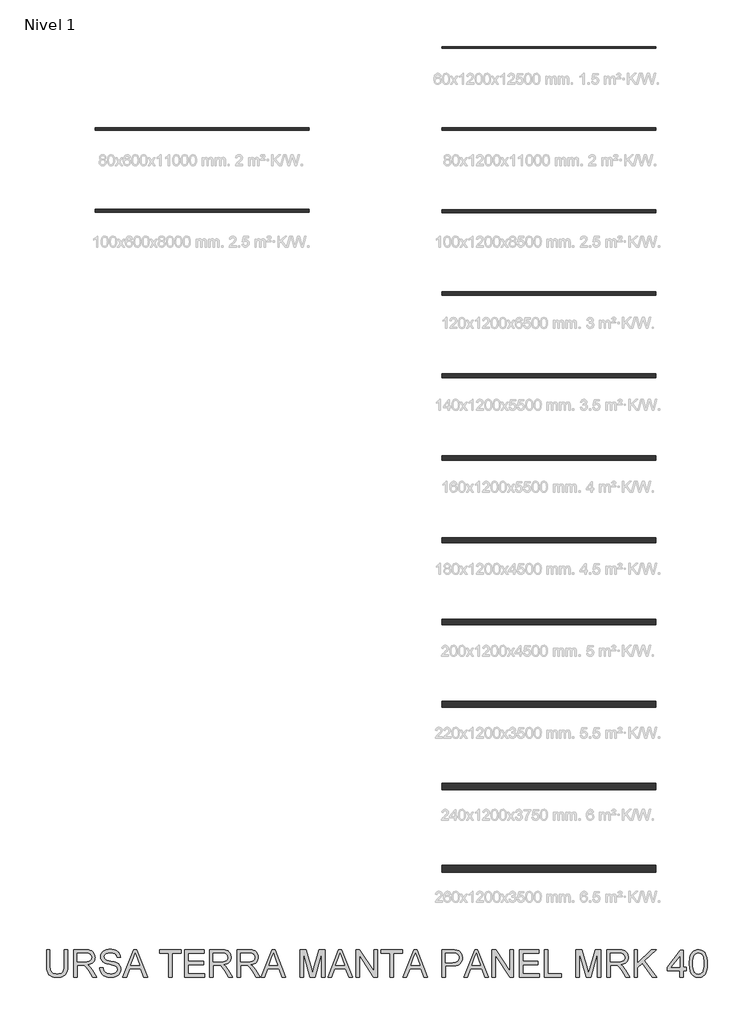
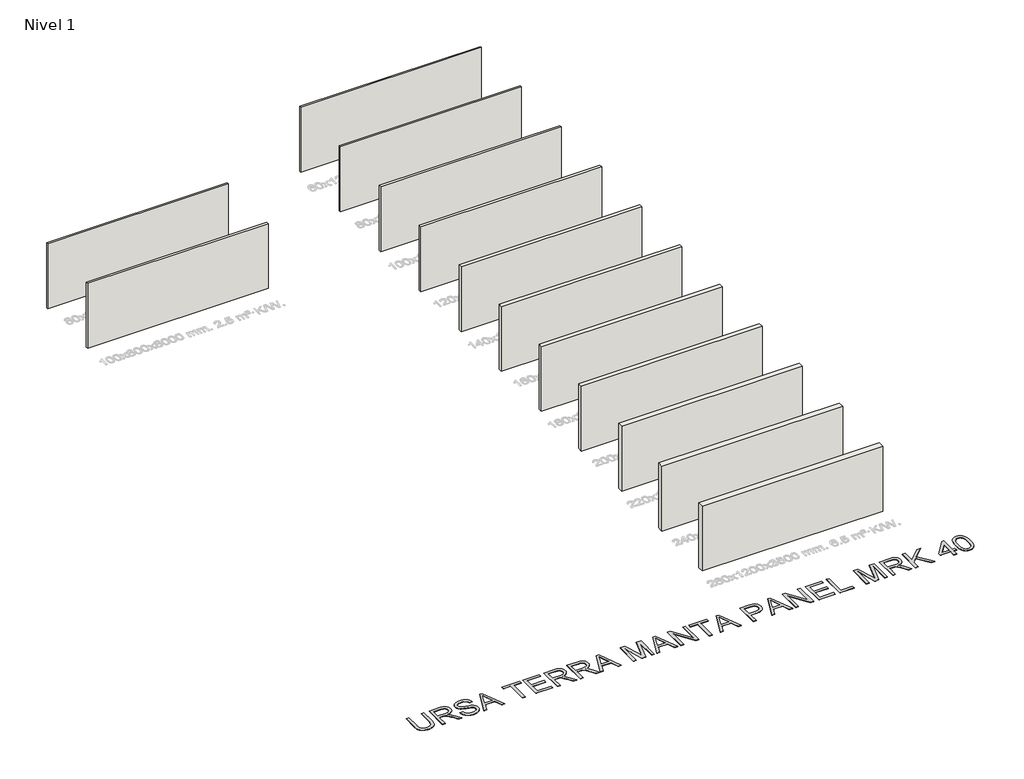
# One storey, part 1 of 14: 13 walls, 1 proxy.
"""IFC4 building model written with IfcOpenShell, lengths in millimetres."""

from ifc_helpers import new_model, si_unit, origin, origin_with_axes, place, context, project, spatial, polyline, outline, extrude, element, save

model = new_model("IFC4")

# Units and contexts
model_context = context("Model", 3, world=origin())
ifc_project = project(units=[si_unit("LENGTHUNIT", "METRE", prefix="MILLI")], contexts=[model_context])

# Site, building, storey
site = spatial("IfcSite", under=ifc_project)
building = spatial("IfcBuilding", under=site)
storey = spatial("IfcBuildingStorey", under=building, Name="Nivel 1", Elevation=0.0)

# Proxy
placement = place(None, origin())
element("IfcBuildingElementProxy", 1, Name="Texto de modelo 2", ObjectType="Texto de modelo 2", at=placement, inside=storey, context=model_context, shape_type="SweptSolid", body=[
    extrude(outline(polyline([(-14160.1501781, -29319.1686362), (-14034.5797905, -29319.1686362), (-14034.5797905, -29898.7054059), (-14036.7104403, -29970.4653876), (-14043.10239, -30034.4232053), (-14053.7556395, -30090.578859), (-14068.6701887, -30138.9323487), (-14089.1336247, -30181.3154203), (-14116.4335344, -30219.5598193), (-14150.5699179, -30253.665546), (-14191.5427751, -30283.6326002), (-14239.3980913, -30308.0431034), (-14294.1818517, -30325.4791771), (-14355.8940564, -30335.9408214), (-14424.5347053, -30339.4280361), (-14491.4815643, -30336.3930097), (-14552.0364735, -30327.2879303), (-14606.1994331, -30312.112798), (-14653.970443, -30290.8676127), (-14695.3571675, -30263.8666071), (-14730.3672707, -30231.4240137), (-14759.0007526, -30193.5398324), (-14781.2576133, -30150.2140633), (-14797.9425947, -30099.9598499), (-14809.8604385, -30041.2903359), (-14817.0111447, -29974.2055212), (-14819.3947135, -29898.7054059), (-14819.3947135, -29319.1686362), (-14693.8243258, -29319.1686362), (-14693.8243258, -29894.2908219), (-14692.2761558, -29954.9990154), (-14687.6316456, -30007.138624), (-14679.8907952, -30050.7096478), (-14669.0536048, -30085.7120868), (-14654.4456239, -30114.6751297), (-14635.3924022, -30140.1279652), (-14611.8939398, -30162.0705934), (-14583.9502366, -30180.5030142), (-14552.0977872, -30195.0956667), (-14516.8730861, -30205.5189899), (-14478.2761335, -30211.7729838), (-14436.3069292, -30213.8576484), (-14367.0991288, -30209.7343044), (-14308.5905632, -30197.3642723), (-14260.7812322, -30176.7475522), (-14240.8887798, -30163.3466841), (-14223.671136, -30147.884144), (-14208.7834115, -30129.4900442), (-14195.8807169, -30107.2944972), (-14176.0304176, -30051.4990612), (-14164.120238, -29980.4978362), (-14160.1501781, -29894.2908219), (-14160.1501781, -29319.1686362)])), origin_with_axes(), (0.0, 0.0, 1.0), 10.0),
    extrude(outline(polyline([(-13814.831612, -30323.7317377), (-13814.831612, -29319.1686362), (-13381.957131, -29319.1686362), (-13319.8233949, -29320.8624262), (-13265.61445, -29325.9437962), (-13219.3302965, -29334.4127463), (-13180.9709343, -29346.2692765), (-13148.3060788, -29362.4254274), (-13119.1054455, -29383.79324), (-13093.3690342, -29410.3727141), (-13071.0968451, -29442.1638499), (-13053.1242768, -29477.4575288), (-13040.286728, -29514.5446324), (-13032.5841987, -29553.4251608), (-13030.016689, -29594.0991139), (-13034.2703245, -29645.6945637), (-13047.0312312, -29693.0593706), (-13068.2994091, -29736.1935345), (-13098.0748581, -29775.0970555), (-13136.7407886, -29808.5283318), (-13184.6804111, -29835.2457617), (-13241.8937256, -29855.2493452), (-13308.380732, -29868.5390823), (-13266.9940075, -29895.5784089), (-13237.0116249, -29922.2498536), (-13185.5694593, -29983.2569511), (-13135.2309396, -30051.4990612), (-12967.7220044, -30323.7317377), (-13113.6485292, -30323.7317377), (-13244.3692648, -30115.5105284), (-13296.6698218, -30036.0480174), (-13338.7923102, -29977.6774075), (-13373.894384, -29937.4862995), (-13405.1336967, -29912.5622944), (-13434.7175405, -29897.9389851), (-13464.8532073, -29888.6499647), (-13537.6938423, -29884.2353807), (-13689.2612243, -29884.2353807), (-13689.2612243, -30323.7317377), (-13814.831612, -30323.7317377)]), holes=[polyline([(-13689.2612243, -29758.6649931), (-13408.19938, -29758.6649931), (-13327.4799389, -29754.2197523), (-13264.8480292, -29740.88403), (-13239.663441, -29730.6599762), (-13217.6978202, -29717.7687779), (-13198.9511668, -29702.2104352), (-13183.423481, -29683.984948), (-13171.2450541, -29663.9890288), (-13162.5461777, -29643.1193897), (-13157.3268519, -29621.376031), (-13155.5870766, -29598.7589525), (-13158.9056788, -29566.64592), (-13168.8614853, -29537.5066003), (-13185.4544961, -29511.3409934), (-13208.6847113, -29488.1490993), (-13239.0886253, -29469.1571913), (-13277.2027329, -29455.5915427), (-13323.0270339, -29447.4521536), (-13376.5615284, -29444.7390238), (-13689.2612243, -29444.7390238), (-13689.2612243, -29758.6649931)])]), origin_with_axes(), (0.0, 0.0, 1.0), 10.0),
    extrude(outline(polyline([(-12857.3574059, -29978.4131715), (-12731.7870182, -29978.4131715), (-12726.038862, -30014.9637806), (-12717.3783067, -30048.0961528), (-12705.8053523, -30077.8102881), (-12691.3199987, -30104.1061865), (-12673.1864821, -30127.5126785), (-12650.6690383, -30148.5585943), (-12623.7676674, -30167.243934), (-12592.4823694, -30183.5686975), (-12557.9627755, -30196.8201135), (-12521.358517, -30206.2854107), (-12482.6695938, -30211.964589), (-12441.896006, -30213.8576484), (-12371.9371133, -30208.1248207), (-12340.2226196, -30200.958786), (-12310.6847611, -30190.9263374), (-12284.0516374, -30178.3876927), (-12261.0513485, -30163.7030697), (-12241.6838943, -30146.8724685), (-12225.9492748, -30127.8958889), (-12213.770848, -30107.5934013), (-12205.0719716, -30086.7850759), (-12199.8526458, -30065.4709128), (-12198.1128705, -30043.650912), (-12203.3245321, -30001.620394), (-12218.9595169, -29965.292047), (-12232.1112983, -29949.1742171), (-12250.7199958, -29934.2979889), (-12274.7856097, -29920.6633625), (-12304.3081398, -29908.2703378), (-12370.6188694, -29888.5579942), (-12487.1454914, -29860.3230511), (-12607.1669923, -29828.593229), (-12650.9679424, -29813.3031336), (-12683.9623588, -29798.3962485), (-12717.4932699, -29778.392665), (-12746.4716412, -29756.1511328), (-12770.8974728, -29731.6716517), (-12790.7707648, -29704.9542218), (-12806.1681591, -29676.2747546), (-12817.1662979, -29645.9091615), (-12823.7651812, -29613.8574427), (-12825.964809, -29580.1195981), (-12823.244015, -29542.7259261), (-12815.0816333, -29506.5738559), (-12801.4776637, -29471.6633874), (-12782.4321062, -29437.9945206), (-12758.1595587, -29406.9391488), (-12728.8746191, -29379.8691654), (-12694.5772872, -29356.7845702), (-12655.2675632, -29337.6853632), (-12612.271355, -29322.7171646), (-12566.9145707, -29312.0255941), (-12519.1972102, -29305.6106518), (-12469.1192736, -29303.4723377), (-12414.4887974, -29305.7102865), (-12363.169259, -29312.4241329), (-12315.1606587, -29323.6138769), (-12270.4629963, -29339.2795186), (-12229.9040063, -29359.283102), (-12194.3114233, -29383.4866716), (-12163.6852472, -29411.8902274), (-12138.025478, -29444.4937692), (-12117.5313852, -29480.3469353), (-12102.4022381, -29518.4993639), (-12092.6380368, -29558.9510549), (-12088.2387813, -29601.7020084), (-12213.809169, -29601.7020084), (-12222.2091412, -29561.6335278), (-12236.8631074, -29526.7767088), (-12257.7710674, -29497.1315513), (-12284.9330214, -29472.6980555), (-12318.854807, -29453.5988486), (-12360.0422621, -29439.9565579), (-12408.4953865, -29431.7711835), (-12464.2141804, -29429.0427254), (-12521.7110705, -29431.7405267), (-12570.8386453, -29439.8339306), (-12611.5969047, -29453.3229371), (-12643.9858487, -29472.2075461), (-12668.6645992, -29494.9089309), (-12686.2922781, -29519.8482645), (-12696.8688855, -29547.0255469), (-12700.3944213, -29576.4407781), (-12697.8958894, -29601.7479937), (-12690.4002937, -29624.6946331), (-12677.9076343, -29645.2806965), (-12660.4179111, -29663.5061836), (-12632.8880752, -29680.7659806), (-12589.5393134, -29698.2097185), (-12530.3716258, -29715.8373975), (-12455.3850125, -29733.6490174), (-12316.938755, -29767.3102199), (-12268.2250474, -29782.5313375), (-12233.1842874, -29796.6794659), (-12194.6869695, -29818.1239205), (-12161.6005825, -29842.2355196), (-12133.9251266, -29869.0142632), (-12111.6606017, -29898.4601512), (-12094.5464247, -29930.4198996), (-12082.3220126, -29964.740224), (-12074.9873653, -30001.4211246), (-12072.5424828, -30040.4626014), (-12075.3552473, -30079.7416686), (-12083.7935405, -30117.8711045), (-12097.8573626, -30154.8509092), (-12117.5467136, -30190.6810827), (-12142.516704, -30223.9744033), (-12172.4224445, -30253.3436492), (-12207.2639352, -30278.7888206), (-12247.0411759, -30300.3099173), (-12290.5968713, -30317.4240943), (-12336.7737259, -30329.6485064), (-12385.5717397, -30336.9831537), (-12436.9909127, -30339.4280361), (-12501.2246419, -30336.7915485), (-12560.0167833, -30328.8820856), (-12613.3673368, -30315.6996474), (-12661.2763025, -30297.244234), (-12704.0349202, -30273.4851885), (-12741.9344299, -30244.391854), (-12774.9748316, -30209.9642306), (-12803.1561253, -30170.2023183), (-12825.8575101, -30126.3937041), (-12842.4581851, -30079.8259748), (-12852.9581504, -30030.4991307), (-12857.3574059, -29978.4131715)])), origin_with_axes(), (0.0, 0.0, 1.0), 10.0),
    extrude(outline(polyline([(-12001.1733758, -30323.7317377), (-11600.182001, -29319.1686362), (-11493.2509678, -29319.1686362), (-11092.259593, -30323.7317377), (-11224.942366, -30323.7317377), (-11339.9668031, -30009.8057684), (-11753.7114204, -30009.8057684), (-11868.4906029, -30323.7317377), (-12001.1733758, -30323.7317377)]), holes=[polyline([(-11707.6035436, -29884.2353807), (-11385.8294252, -29884.2353807), (-11476.328396, -29637.2639347), (-11546.7164844, -29444.7390238), (-11609.2564236, -29615.6815243), (-11707.6035436, -29884.2353807)])]), origin_with_axes(), (0.0, 0.0, 1.0), 10.0),
    extrude(outline(polyline([(-10314.5570552, -30323.7317377), (-10314.5570552, -29444.7390238), (-10644.1793229, -29444.7390238), (-10644.1793229, -29319.1686362), (-9859.3643999, -29319.1686362), (-9859.3643999, -29444.7390238), (-10188.9866675, -29444.7390238), (-10188.9866675, -30323.7317377), (-10314.5570552, -30323.7317377)])), origin_with_axes(), (0.0, 0.0, 1.0), 10.0),
    extrude(outline(polyline([(-9718.0977137, -30323.7317377), (-9718.0977137, -29319.1686362), (-8996.0679845, -29319.1686362), (-8996.0679845, -29444.7390238), (-9592.527326, -29444.7390238), (-9592.527326, -29742.9686946), (-9027.4605814, -29742.9686946), (-9027.4605814, -29868.5390823), (-9592.527326, -29868.5390823), (-9592.527326, -30198.16135), (-8980.3716861, -30198.16135), (-8980.3716861, -30323.7317377), (-9718.0977137, -30323.7317377)])), origin_with_axes(), (0.0, 0.0, 1.0), 10.0),
    extrude(outline(polyline([(-8792.0161045, -30323.7317377), (-8792.0161045, -29319.1686362), (-8359.1416235, -29319.1686362), (-8297.0078874, -29320.8624262), (-8242.7989426, -29325.9437962), (-8196.514789, -29334.4127463), (-8158.1554268, -29346.2692765), (-8125.4905713, -29362.4254274), (-8096.289938, -29383.79324), (-8070.5535267, -29410.3727141), (-8048.2813376, -29442.1638499), (-8030.3087693, -29477.4575288), (-8017.4712205, -29514.5446324), (-8009.7686912, -29553.4251608), (-8007.2011815, -29594.0991139), (-8011.4548171, -29645.6945637), (-8024.2157238, -29693.0593706), (-8045.4839016, -29736.1935345), (-8075.2593506, -29775.0970555), (-8113.9252811, -29808.5283318), (-8161.8649036, -29835.2457617), (-8219.0782181, -29855.2493452), (-8285.5652245, -29868.5390823), (-8244.1785, -29895.5784089), (-8214.1961174, -29922.2498536), (-8162.7539518, -29983.2569511), (-8112.4154321, -30051.4990612), (-7944.906497, -30323.7317377), (-8090.8330217, -30323.7317377), (-8221.5537573, -30115.5105284), (-8273.8543143, -30036.0480174), (-8315.9768028, -29977.6774075), (-8351.0788765, -29937.4862995), (-8382.3181892, -29912.5622944), (-8411.902033, -29897.9389851), (-8442.0376998, -29888.6499647), (-8514.8783348, -29884.2353807), (-8666.4457168, -29884.2353807), (-8666.4457168, -30323.7317377), (-8792.0161045, -30323.7317377)]), holes=[polyline([(-8666.4457168, -29758.6649931), (-8385.3838725, -29758.6649931), (-8304.6644314, -29754.2197523), (-8242.0325217, -29740.88403), (-8216.8479335, -29730.6599762), (-8194.8823127, -29717.7687779), (-8176.1356593, -29702.2104352), (-8160.6079735, -29683.984948), (-8148.4295466, -29663.9890288), (-8139.7306702, -29643.1193897), (-8134.5113444, -29621.376031), (-8132.7715692, -29598.7589525), (-8136.0901713, -29566.64592), (-8146.0459778, -29537.5066003), (-8162.6389887, -29511.3409934), (-8185.8692038, -29488.1490993), (-8216.2731179, -29469.1571913), (-8254.3872254, -29455.5915427), (-8300.2115264, -29447.4521536), (-8353.7460209, -29444.7390238), (-8666.4457168, -29444.7390238), (-8666.4457168, -29758.6649931)])]), origin_with_axes(), (0.0, 0.0, 1.0), 10.0),
    extrude(outline(polyline([(-7787.453003, -30323.7317377), (-7787.453003, -29319.1686362), (-7354.578522, -29319.1686362), (-7292.4447859, -29320.8624262), (-7238.2358411, -29325.9437962), (-7191.9516875, -29334.4127463), (-7153.5923253, -29346.2692765), (-7120.9274699, -29362.4254274), (-7091.7268365, -29383.79324), (-7065.9904252, -29410.3727141), (-7043.7182361, -29442.1638499), (-7025.7456678, -29477.4575288), (-7012.908119, -29514.5446324), (-7005.2055897, -29553.4251608), (-7002.63808, -29594.0991139), (-7006.8917156, -29645.6945637), (-7019.6526223, -29693.0593706), (-7040.9208001, -29736.1935345), (-7070.6962491, -29775.0970555), (-7109.3621796, -29808.5283318), (-7157.3018021, -29835.2457617), (-7214.5151166, -29855.2493452), (-7281.002123, -29868.5390823), (-7239.6153985, -29895.5784089), (-7209.6330159, -29922.2498536), (-7158.1908503, -29983.2569511), (-7107.8523306, -30051.4990612), (-6940.3433955, -30323.7317377), (-7086.2699202, -30323.7317377), (-7216.9906558, -30115.5105284), (-7269.2912128, -30036.0480174), (-7311.4137013, -29977.6774075), (-7346.515775, -29937.4862995), (-7377.7550877, -29912.5622944), (-7407.3389315, -29897.9389851), (-7437.4745983, -29888.6499647), (-7510.3152333, -29884.2353807), (-7661.8826153, -29884.2353807), (-7661.8826153, -30323.7317377), (-7787.453003, -30323.7317377)]), holes=[polyline([(-7661.8826153, -29758.6649931), (-7380.820771, -29758.6649931), (-7300.1013299, -29754.2197523), (-7237.4694202, -29740.88403), (-7212.284832, -29730.6599762), (-7190.3192112, -29717.7687779), (-7171.5725579, -29702.2104352), (-7156.044872, -29683.984948), (-7143.8664451, -29663.9890288), (-7135.1675687, -29643.1193897), (-7129.9482429, -29621.376031), (-7128.2084677, -29598.7589525), (-7131.5270698, -29566.64592), (-7141.4828763, -29537.5066003), (-7158.0758872, -29511.3409934), (-7181.3061023, -29488.1490993), (-7211.7100164, -29469.1571913), (-7249.8241239, -29455.5915427), (-7295.6484249, -29447.4521536), (-7349.1829194, -29444.7390238), (-7661.8826153, -29444.7390238), (-7661.8826153, -29758.6649931)])]), origin_with_axes(), (0.0, 0.0, 1.0), 10.0),
    extrude(outline(polyline([(-6899.876376, -30323.7317377), (-6498.8850013, -29319.1686362), (-6391.953968, -29319.1686362), (-5990.9625932, -30323.7317377), (-6123.6453662, -30323.7317377), (-6238.6698033, -30009.8057684), (-6652.4144206, -30009.8057684), (-6767.1936031, -30323.7317377), (-6899.876376, -30323.7317377)]), holes=[polyline([(-6606.3065438, -29884.2353807), (-6284.5324254, -29884.2353807), (-6375.0313962, -29637.2639347), (-6445.4194846, -29444.7390238), (-6507.9594238, -29615.6815243), (-6606.3065438, -29884.2353807)])]), origin_with_axes(), (0.0, 0.0, 1.0), 10.0),
    extrude(outline(polyline([(-5464.4008308, -30323.7317377), (-5464.4008308, -29319.1686362), (-5248.3314723, -29319.1686362), (-5042.8080643, -30027.2188495), (-5001.3600262, -30175.1074116), (-4956.4784228, -30014.9561164), (-4754.3885801, -29319.1686362), (-4538.3192216, -29319.1686362), (-4538.3192216, -30323.7317377), (-4663.8896093, -30323.7317377), (-4663.8896093, -29444.7390238), (-4916.256658, -30323.7317377), (-5086.4633944, -30323.7317377), (-5338.8304431, -29444.7390238), (-5338.8304431, -30323.7317377), (-5464.4008308, -30323.7317377)])), origin_with_axes(), (0.0, 0.0, 1.0), 10.0),
    extrude(outline(polyline([(-4435.5575176, -30323.7317377), (-4034.5661429, -29319.1686362), (-3927.6351096, -29319.1686362), (-3526.6437349, -30323.7317377), (-3659.3265078, -30323.7317377), (-3774.350945, -30009.8057684), (-4188.0955622, -30009.8057684), (-4302.8747447, -30323.7317377), (-4435.5575176, -30323.7317377)]), holes=[polyline([(-4141.9876855, -29884.2353807), (-3820.213567, -29884.2353807), (-3910.7125379, -29637.2639347), (-3981.1006263, -29444.7390238), (-4043.6405654, -29615.6815243), (-4141.9876855, -29884.2353807)])]), origin_with_axes(), (0.0, 0.0, 1.0), 10.0),
    extrude(outline(polyline([(-3392.489434, -30323.7317377), (-3392.489434, -29319.1686362), (-3258.0898784, -29319.1686362), (-2733.2448986, -30115.0200191), (-2733.2448986, -29319.1686362), (-2607.6745109, -29319.1686362), (-2607.6745109, -30323.7317377), (-2742.0740665, -30323.7317377), (-3266.9190463, -29527.6351001), (-3266.9190463, -30323.7317377), (-3392.489434, -30323.7317377)])), origin_with_axes(), (0.0, 0.0, 1.0), 10.0),
    extrude(outline(polyline([(-2136.7855571, -30323.7317377), (-2136.7855571, -29444.7390238), (-2466.4078248, -29444.7390238), (-2466.4078248, -29319.1686362), (-1681.5929017, -29319.1686362), (-1681.5929017, -29444.7390238), (-2011.2151694, -29444.7390238), (-2011.2151694, -30323.7317377), (-2136.7855571, -30323.7317377)])), origin_with_axes(), (0.0, 0.0, 1.0), 10.0),
    extrude(outline(polyline([(-1657.3126901, -30323.7317377), (-1256.3213153, -29319.1686362), (-1149.3902821, -29319.1686362), (-748.3989073, -30323.7317377), (-881.0816802, -30323.7317377), (-996.1061174, -30009.8057684), (-1409.8507346, -30009.8057684), (-1524.6299171, -30323.7317377), (-1657.3126901, -30323.7317377)]), holes=[polyline([(-1363.7428579, -29884.2353807), (-1041.9687395, -29884.2353807), (-1132.4677103, -29637.2639347), (-1202.8557987, -29444.7390238), (-1265.3957379, -29615.6815243), (-1363.7428579, -29884.2353807)])]), origin_with_axes(), (0.0, 0.0, 1.0), 10.0),
    extrude(outline(polyline([(-221.8371449, -30323.7317377), (-221.8371449, -29319.1686362), (150.4594342, -29319.1686362), (237.1569578, -29321.5598691), (300.5552883, -29328.733568), (335.4964136, -29336.2674847), (367.4791546, -29346.6065016), (396.5035111, -29359.7506187), (422.5694833, -29375.6998361), (445.9529827, -29394.7837146), (466.9299206, -29417.3318152), (485.5002971, -29443.3441379), (501.6641123, -29472.8206828), (514.75458, -29504.7880953), (524.104914, -29538.2730211), (529.7151144, -29573.2754601), (531.5851812, -29609.7954123), (526.534468, -29671.4616318), (511.3823283, -29728.1921011), (486.1287622, -29779.9868204), (450.7737696, -29826.8457895), (428.5379855, -29847.6541149), (402.2363389, -29865.6879968), (371.8688298, -29880.9474354), (337.4354583, -29893.4324306), (298.9362243, -29903.1429825), (256.3711278, -29910.0790909), (159.0433475, -29915.6279777), (-96.2667572, -29915.6279777), (-96.2667572, -30323.7317377), (-221.8371449, -30323.7317377)]), holes=[polyline([(-96.2667572, -29790.05759), (166.4009874, -29790.05759), (226.7949482, -29787.1758477), (277.7466046, -29778.5306208), (319.2559564, -29764.1219093), (351.3230036, -29743.9497133), (375.2506617, -29718.5505272), (392.3418461, -29688.4608456), (402.5965567, -29653.6806687), (406.0147935, -29614.2099963), (403.9991068, -29584.902064), (397.9520465, -29557.8014237), (387.8736127, -29532.9080754), (373.7638053, -29510.222019), (356.3737168, -29490.4790186), (336.4544396, -29474.4148381), (314.0059737, -29462.0294776), (289.0283191, -29453.3229371), (240.5905231, -29446.8850021), (163.4579314, -29444.7390238), (-96.2667572, -29444.7390238), (-96.2667572, -29790.05759)])]), origin_with_axes(), (0.0, 0.0, 1.0), 10.0),
    extrude(outline(polyline([(587.2579898, -30323.7317377), (988.2493646, -29319.1686362), (1095.1803978, -29319.1686362), (1496.1717726, -30323.7317377), (1363.4889997, -30323.7317377), (1248.4645625, -30009.8057684), (834.7199453, -30009.8057684), (719.9407628, -30323.7317377), (587.2579898, -30323.7317377)]), holes=[polyline([(880.827822, -29884.2353807), (1202.6019404, -29884.2353807), (1112.1029696, -29637.2639347), (1041.7148812, -29444.7390238), (979.174942, -29615.6815243), (880.827822, -29884.2353807)])]), origin_with_axes(), (0.0, 0.0, 1.0), 10.0),
    extrude(outline(polyline([(1630.3260735, -30323.7317377), (1630.3260735, -29319.1686362), (1764.7256291, -29319.1686362), (2289.5706089, -30115.0200191), (2289.5706089, -29319.1686362), (2415.1409965, -29319.1686362), (2415.1409965, -30323.7317377), (2280.741441, -30323.7317377), (1755.8964612, -29527.6351001), (1755.8964612, -30323.7317377), (1630.3260735, -30323.7317377)])), origin_with_axes(), (0.0, 0.0, 1.0), 10.0),
    extrude(outline(polyline([(2634.889175, -30323.7317377), (2634.889175, -29319.1686362), (3356.9189042, -29319.1686362), (3356.9189042, -29444.7390238), (2760.4595627, -29444.7390238), (2760.4595627, -29742.9686946), (3325.5263073, -29742.9686946), (3325.5263073, -29868.5390823), (2760.4595627, -29868.5390823), (2760.4595627, -30198.16135), (3372.6152027, -30198.16135), (3372.6152027, -30323.7317377), (2634.889175, -30323.7317377)])), origin_with_axes(), (0.0, 0.0, 1.0), 10.0),
    extrude(outline(polyline([(3560.9707842, -30323.7317377), (3560.9707842, -29319.1686362), (3686.5411719, -29319.1686362), (3686.5411719, -30198.16135), (4188.8227226, -30198.16135), (4188.8227226, -30323.7317377), (3560.9707842, -30323.7317377)])), origin_with_axes(), (0.0, 0.0, 1.0), 10.0),
    extrude(outline(polyline([(4722.4968703, -30323.7317377), (4722.4968703, -29319.1686362), (4938.5662288, -29319.1686362), (5144.0896368, -30027.2188495), (5185.5376749, -30175.1074116), (5230.4192783, -30014.9561164), (5432.509121, -29319.1686362), (5648.5784795, -29319.1686362), (5648.5784795, -30323.7317377), (5523.0080918, -30323.7317377), (5523.0080918, -29444.7390238), (5270.6410431, -30323.7317377), (5100.4343067, -30323.7317377), (4848.067258, -29444.7390238), (4848.067258, -30323.7317377), (4722.4968703, -30323.7317377)])), origin_with_axes(), (0.0, 0.0, 1.0), 10.0),
    extrude(outline(polyline([(5868.3266579, -30323.7317377), (5868.3266579, -29319.1686362), (6301.2011389, -29319.1686362), (6363.3348751, -29320.8624262), (6417.5438199, -29325.9437962), (6463.8279734, -29334.4127463), (6502.1873356, -29346.2692765), (6534.8521911, -29362.4254274), (6564.0528245, -29383.79324), (6589.7892357, -29410.3727141), (6612.0614248, -29442.1638499), (6630.0339932, -29477.4575288), (6642.8715419, -29514.5446324), (6650.5740712, -29553.4251608), (6653.141581, -29594.0991139), (6648.8879454, -29645.6945637), (6636.1270387, -29693.0593706), (6614.8588609, -29736.1935345), (6585.0834119, -29775.0970555), (6546.4174813, -29808.5283318), (6498.4778588, -29835.2457617), (6441.2645444, -29855.2493452), (6374.777538, -29868.5390823), (6416.1642624, -29895.5784089), (6446.146645, -29922.2498536), (6497.5888107, -29983.2569511), (6547.9273304, -30051.4990612), (6715.4362655, -30323.7317377), (6569.5097407, -30323.7317377), (6438.7890051, -30115.5105284), (6386.4884481, -30036.0480174), (6344.3659597, -29977.6774075), (6309.263886, -29937.4862995), (6278.0245732, -29912.5622944), (6248.4407295, -29897.9389851), (6218.3050627, -29888.6499647), (6145.4644276, -29884.2353807), (5993.8970456, -29884.2353807), (5993.8970456, -30323.7317377), (5868.3266579, -30323.7317377)]), holes=[polyline([(5993.8970456, -29758.6649931), (6274.9588899, -29758.6649931), (6355.678331, -29754.2197523), (6418.3102407, -29740.88403), (6443.494829, -29730.6599762), (6465.4604498, -29717.7687779), (6484.2071031, -29702.2104352), (6499.734789, -29683.984948), (6511.9132159, -29663.9890288), (6520.6120922, -29643.1193897), (6525.831418, -29621.376031), (6527.5711933, -29598.7589525), (6524.2525911, -29566.64592), (6514.2967846, -29537.5066003), (6497.7037738, -29511.3409934), (6474.4735587, -29488.1490993), (6444.0696446, -29469.1571913), (6405.9555371, -29455.5915427), (6360.131236, -29447.4521536), (6306.5967415, -29444.7390238), (5993.8970456, -29444.7390238), (5993.8970456, -29758.6649931)])]), origin_with_axes(), (0.0, 0.0, 1.0), 10.0),
    extrude(outline(polyline([(6872.8897594, -30323.7317377), (6872.8897594, -29319.1686362), (6998.4601471, -29319.1686362), (6998.4601471, -29810.9042364), (7513.4949404, -29319.1686362), (7689.0972794, -29319.1686362), (7256.7133077, -29732.1774894), (7704.7935779, -30323.7317377), (7551.2641585, -30323.7317377), (7167.6858649, -29817.035603), (6998.4601471, -29978.4131715), (6998.4601471, -30323.7317377), (6872.8897594, -30323.7317377)])), origin_with_axes(), (0.0, 0.0, 1.0), 10.0),
    extrude(outline(polyline([(8552.3936947, -30323.7317377), (8552.3936947, -30088.2872607), (8097.2010394, -30088.2872607), (8097.2010394, -29962.716873), (8583.7862917, -29334.8649346), (8677.9640824, -29334.8649346), (8677.9640824, -29962.716873), (8803.5344701, -29962.716873), (8803.5344701, -30088.2872607), (8677.9640824, -30088.2872607), (8677.9640824, -30323.7317377), (8552.3936947, -30323.7317377)]), holes=[polyline([(8552.3936947, -29962.716873), (8552.3936947, -29574.7239955), (8251.7114774, -29962.716873), (8552.3936947, -29962.716873)])]), origin_with_axes(), (0.0, 0.0, 1.0), 10.0),
    extrude(outline(polyline([(8913.4085593, -29829.5435908), (8915.715486, -29745.0763519), (8922.6362661, -29668.7485021), (8934.1708994, -29600.5600414), (8950.3193862, -29540.5109699), (8971.0127484, -29488.1107782), (8996.1820083, -29442.868957), (9025.8271657, -29404.7855063), (9059.9482208, -29373.8604261), (9098.6601365, -29349.932768), (9142.0778762, -29332.8415836), (9190.2014397, -29322.586873), (9243.030827, -29319.1686362), (9282.7314257, -29321.1919871), (9320.4086733, -29327.26204), (9356.06257, -29337.3787949), (9389.6931158, -29351.5422517), (9420.4879044, -29369.51482), (9447.63453, -29391.0589094), (9471.1329924, -29416.1745198), (9490.9832918, -29444.8616512), (9523.7247893, -29512.4906246), (9549.844411, -29593.4859772), (9559.8232101, -29641.1190314), (9566.9509238, -29696.3396517), (9572.6530947, -29829.5435908), (9570.3691606, -29913.4743352), (9563.5173585, -29989.4189745), (9552.0976882, -30057.3775089), (9536.1101498, -30117.3499384), (9515.577736, -30169.7731227), (9490.5234393, -30215.0839217), (9460.9472597, -30253.2823356), (9426.8491973, -30284.3683642), (9388.0912962, -30308.4569706), (9344.5356009, -30325.6631181), (9296.1821111, -30335.9868066), (9243.030827, -30339.4280361), (9173.8690119, -30333.4499537), (9142.2311603, -30325.9773507), (9112.5553461, -30315.5157064), (9084.8415691, -30302.065021), (9059.0898294, -30285.6252943), (9035.3001271, -30266.1965264), (9013.472462, -30243.7787174), (8990.0199848, -30208.2819369), (8969.6945046, -30168.1329821), (8952.4960213, -30123.3318529), (8938.424535, -30073.8785493), (8927.4800457, -30019.7730712), (8919.6625533, -29961.0154188), (8914.9720578, -29897.605592), (8913.4085593, -29829.5435908)]), holes=[polyline([(9038.978947, -29829.2983361), (9042.657767, -29938.459654), (9053.6942268, -30026.8203107), (9072.0883266, -30094.3803063), (9084.0444914, -30120.3600561), (9097.8400663, -30141.1396407), (9128.9874085, -30172.9537691), (9163.5683161, -30195.6781465), (9201.5827889, -30209.3127729), (9243.030827, -30213.8576484), (9284.4788651, -30209.2974445), (9322.493338, -30195.6168328), (9357.0742455, -30172.8158133), (9388.2215878, -30140.894386), (9402.0171626, -30120.0649841), (9413.9733274, -30094.0584095), (9432.3674272, -30026.5137424), (9443.4038871, -29938.2603846), (9447.082707, -29829.2983361), (9443.5265144, -29723.0264248), (9432.8579365, -29636.2216023), (9415.0769734, -29568.8838688), (9403.5193474, -29542.5151604), (9390.1836251, -29521.0132242), (9359.557449, -29487.6432615), (9324.5780026, -29463.8075739), (9285.245286, -29449.5061614), (9241.559299, -29444.7390238), (9200.3258587, -29448.93901), (9162.9551794, -29461.5389683), (9129.447261, -29482.5388988), (9099.8021036, -29511.9388016), (9085.5466763, -29535.728504), (9073.1919726, -29564.0554176), (9054.1847362, -29634.3208787), (9042.7803943, -29722.7351849), (9038.978947, -29829.2983361)])]), origin_with_axes(), (0.0, 0.0, 1.0), 10.0),
])

# Walls
element("IfcWall", 2, at=placement, inside=storey, context=model_context, shape_type="SweptSolid", body=[
    extrude(outline(polyline([(7668.7582768, 920.3831431), (-231.2417232, 920.3831431), (-231.2417232, 1000.3831431), (7668.7582768, 1000.3831431), (7668.7582768, 920.3831431)])), origin_with_axes(), (0.0, 0.0, 1.0), 3000.0),
])
element("IfcWall", 3, at=placement, inside=storey, context=model_context, shape_type="SweptSolid", body=[
    extrude(outline(polyline([(7668.7582768, -2124.6168569), (-231.2417232, -2124.6168569), (-231.2417232, -2024.6168569), (7668.7582768, -2024.6168569), (7668.7582768, -2124.6168569)])), origin_with_axes(), (0.0, 0.0, 1.0), 3000.0),
])
element("IfcWall", 4, at=placement, inside=storey, context=model_context, shape_type="SweptSolid", body=[
    extrude(outline(polyline([(7668.7582768, -5169.6168569), (-231.2417232, -5169.6168569), (-231.2417232, -5049.6168569), (7668.7582768, -5049.6168569), (7668.7582768, -5169.6168569)])), origin_with_axes(), (0.0, 0.0, 1.0), 3000.0),
])
element("IfcWall", 5, at=placement, inside=storey, context=model_context, shape_type="SweptSolid", body=[
    extrude(outline(polyline([(7668.7582768, -8214.6168569), (-231.2417232, -8214.6168569), (-231.2417232, -8074.6168569), (7668.7582768, -8074.6168569), (7668.7582768, -8214.6168569)])), origin_with_axes(), (0.0, 0.0, 1.0), 3000.0),
])
element("IfcWall", 6, at=placement, inside=storey, context=model_context, shape_type="SweptSolid", body=[
    extrude(outline(polyline([(7668.7582768, -11259.6168569), (-231.2417232, -11259.6168569), (-231.2417232, -11099.6168569), (7668.7582768, -11099.6168569), (7668.7582768, -11259.6168569)])), origin_with_axes(), (0.0, 0.0, 1.0), 3000.0),
])
element("IfcWall", 7, at=placement, inside=storey, context=model_context, shape_type="SweptSolid", body=[
    extrude(outline(polyline([(7668.7582768, -14304.6168569), (-231.2417232, -14304.6168569), (-231.2417232, -14124.6168569), (7668.7582768, -14124.6168569), (7668.7582768, -14304.6168569)])), origin_with_axes(), (0.0, 0.0, 1.0), 3000.0),
])
element("IfcWall", 8, at=placement, inside=storey, context=model_context, shape_type="SweptSolid", body=[
    extrude(outline(polyline([(7668.7582768, 3940.3831431), (-231.2417232, 3940.3831431), (-231.2417232, 4000.3831431), (7668.7582768, 4000.3831431), (7668.7582768, 3940.3831431)])), origin_with_axes(), (0.0, 0.0, 1.0), 3000.0),
])
element("IfcWall", 9, at=placement, inside=storey, context=model_context, shape_type="SweptSolid", body=[
    extrude(outline(polyline([(-5131.2417232, 920.3831431), (-13031.2417232, 920.3831431), (-13031.2417232, 1000.3831431), (-5131.2417232, 1000.3831431), (-5131.2417232, 920.3831431)])), origin_with_axes(), (0.0, 0.0, 1.0), 3000.0),
])
element("IfcWall", 10, at=placement, inside=storey, context=model_context, shape_type="SweptSolid", body=[
    extrude(outline(polyline([(7668.7582768, -17328.6168569), (-231.2417232, -17328.6168569), (-231.2417232, -17128.6168569), (7668.7582768, -17128.6168569), (7668.7582768, -17328.6168569)])), origin_with_axes(), (0.0, 0.0, 1.0), 3000.0),
])
element("IfcWall", 11, at=placement, inside=storey, context=model_context, shape_type="SweptSolid", body=[
    extrude(outline(polyline([(-5131.2417232, -2103.6168569), (-13031.2417232, -2103.6168569), (-13031.2417232, -2003.6168569), (-5131.2417232, -2003.6168569), (-5131.2417232, -2103.6168569)])), origin_with_axes(), (0.0, 0.0, 1.0), 3000.0),
])
element("IfcWall", 12, at=placement, inside=storey, context=model_context, shape_type="SweptSolid", body=[
    extrude(outline(polyline([(7668.7582768, -20373.6168569), (-231.2417232, -20373.6168569), (-231.2417232, -20153.6168569), (7668.7582768, -20153.6168569), (7668.7582768, -20373.6168569)])), origin_with_axes(), (0.0, 0.0, 1.0), 3000.0),
])
element("IfcWall", 13, at=placement, inside=storey, context=model_context, shape_type="SweptSolid", body=[
    extrude(outline(polyline([(7668.7582768, -23418.6168569), (-231.2417232, -23418.6168569), (-231.2417232, -23178.6168569), (7668.7582768, -23178.6168569), (7668.7582768, -23418.6168569)])), origin_with_axes(), (0.0, 0.0, 1.0), 3000.0),
])
element("IfcWall", 14, at=placement, inside=storey, context=model_context, shape_type="SweptSolid", body=[
    extrude(outline(polyline([(7668.7582768, -26463.6168569), (-231.2417232, -26463.6168569), (-231.2417232, -26203.6168569), (7668.7582768, -26203.6168569), (7668.7582768, -26463.6168569)])), origin_with_axes(), (0.0, 0.0, 1.0), 3000.0),
])

save(model, "model.ifc")
